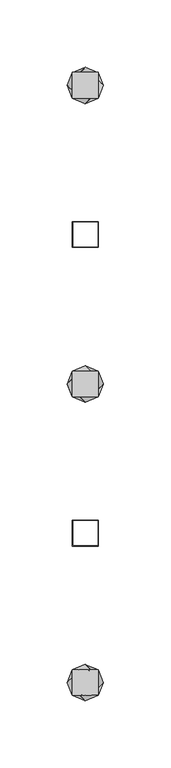
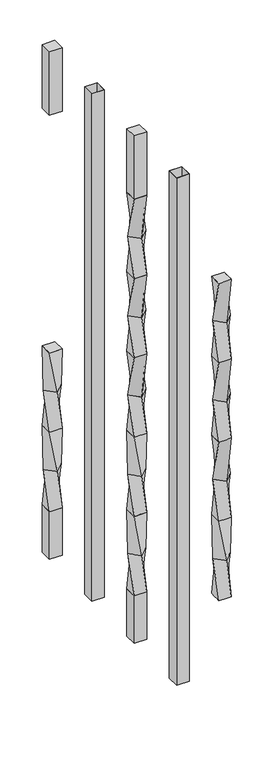
"""IFC4 building model written with IfcOpenShell, lengths in millimetres: railing geometry."""

from ifc_helpers import new_model, si_unit, frame, origin, place, context, project, spatial, polyline, outline, extrude, source, transform, mapped, element, save
from ifc_brep_helpers import plane_surface, spline_surface, advanced_brep


def railing_add324a8(model_context):
    return source(origin(), model_context, "Body", "SolidModel", [
        advanced_brep(
        [(37142.2176098, 32810.5355744, 431.7958781), (37161.2676098, 32810.5355744, 431.7958781), (37161.2676098, 32829.5855744, 431.7958781), (37142.2176098, 32829.5855744, 431.7958781), (37151.7426098, 32806.5901902, 368.2958781), (37138.2722256, 32820.0605744, 368.2958781), (37151.7426098, 32833.5309585, 368.2958781), (37165.212994, 32820.0605744, 368.2958781)],
        [
            (0, 1),
            (1, 2),
            (2, 3),
            (3, 0),
            (4, 5),
            (5, 6),
            (6, 7),
            (7, 4),
            (7, 1),
            (0, 4),
            (6, 2),
            (5, 3),
        ],
        [
            plane_surface(frame((37151.7426098, 32820.0605744, 431.7958781), z_axis=(0.0, 0.0, 1.0), x_axis=(1.0, 0.0, 0.0))),
            plane_surface(frame((37151.7426098, 32820.0605744, 368.2958781), z_axis=(0.0, 0.0, -1.0), x_axis=(1.0, 0.0, 0.0))),
            spline_surface(1, 1, [[(37151.7426098, 32806.5901902, 368.2958781), (37142.2176098, 32810.5355744, 431.7958781)], [(37165.212994, 32820.0605744, 368.2958781), (37161.2676098, 32810.5355744, 431.7958781)]], [2, 2], [2, 2], [0.0, 1.0], [0.0, 1.0]),
            spline_surface(1, 1, [[(37165.212994, 32820.0605744, 368.2958781), (37161.2676098, 32810.5355744, 431.7958781)], [(37151.7426098, 32833.5309585, 368.2958781), (37161.2676098, 32829.5855744, 431.7958781)]], [2, 2], [2, 2], [0.0, 1.0], [0.0, 1.0]),
            spline_surface(1, 1, [[(37151.7426098, 32833.5309585, 368.2958781), (37161.2676098, 32829.5855744, 431.7958781)], [(37138.2722256, 32820.0605744, 368.2958781), (37142.2176098, 32829.5855744, 431.7958781)]], [2, 2], [2, 2], [0.0, 1.0], [0.0, 1.0]),
            spline_surface(1, 1, [[(37138.2722256, 32820.0605744, 368.2958781), (37142.2176098, 32829.5855744, 431.7958781)], [(37151.7426098, 32806.5901902, 368.2958781), (37142.2176098, 32810.5355744, 431.7958781)]], [2, 2], [2, 2], [0.0, 1.0], [0.0, 1.0]),
        ],
        [
            (0, [[1, 2, 3, 4]]),
            (1, [[5, 6, 7, 8]]),
            (2, [[-8, 9, -1, 10]]),
            (3, [[-7, 11, -2, -9]]),
            (4, [[-6, 12, -3, -11]]),
            (5, [[-5, -10, -4, -12]]),
        ],
    ),
        advanced_brep(
        [(37138.2722256, 32820.0605744, 368.2958781), (37151.7426098, 32806.5901902, 368.2958781), (37165.212994, 32820.0605744, 368.2958781), (37151.7426098, 32833.5309585, 368.2958781), (37142.2176098, 32810.5355744, 304.7958781), (37142.2176098, 32829.5855744, 304.7958781), (37161.2676098, 32829.5855744, 304.7958781), (37161.2676098, 32810.5355744, 304.7958781)],
        [
            (0, 1),
            (1, 2),
            (2, 3),
            (3, 0),
            (4, 5),
            (5, 6),
            (6, 7),
            (7, 4),
            (7, 1),
            (0, 4),
            (6, 2),
            (5, 3),
        ],
        [
            plane_surface(frame((37151.7426098, 32820.0605744, 368.2958781), z_axis=(0.0, 0.0, 1.0), x_axis=(-0.7071067811865476, -0.7071067811865476, 0.0))),
            plane_surface(frame((37151.7426098, 32820.0605744, 304.7958781), z_axis=(0.0, 0.0, -1.0), x_axis=(-0.7071067811865476, -0.7071067811865476, 0.0))),
            spline_surface(1, 1, [[(37142.2176098, 32810.5355744, 304.7958781), (37138.2722256, 32820.0605744, 368.2958781)], [(37161.2676098, 32810.5355744, 304.7958781), (37151.7426098, 32806.5901902, 368.2958781)]], [2, 2], [2, 2], [0.0, 1.0], [0.0, 1.0]),
            spline_surface(1, 1, [[(37161.2676098, 32810.5355744, 304.7958781), (37151.7426098, 32806.5901902, 368.2958781)], [(37161.2676098, 32829.5855744, 304.7958781), (37165.212994, 32820.0605744, 368.2958781)]], [2, 2], [2, 2], [0.0, 1.0], [0.0, 1.0]),
            spline_surface(1, 1, [[(37161.2676098, 32829.5855744, 304.7958781), (37165.212994, 32820.0605744, 368.2958781)], [(37142.2176098, 32829.5855744, 304.7958781), (37151.7426098, 32833.5309585, 368.2958781)]], [2, 2], [2, 2], [0.0, 1.0], [0.0, 1.0]),
            spline_surface(1, 1, [[(37142.2176098, 32829.5855744, 304.7958781), (37151.7426098, 32833.5309585, 368.2958781)], [(37142.2176098, 32810.5355744, 304.7958781), (37138.2722256, 32820.0605744, 368.2958781)]], [2, 2], [2, 2], [0.0, 1.0], [0.0, 1.0]),
        ],
        [
            (0, [[1, 2, 3, 4]]),
            (1, [[5, 6, 7, 8]]),
            (2, [[-8, 9, -1, 10]]),
            (3, [[-7, 11, -2, -9]]),
            (4, [[-6, 12, -3, -11]]),
            (5, [[-5, -10, -4, -12]]),
        ],
    ),
        advanced_brep(
        [(37142.2176098, 32810.5355744, 304.7958781), (37161.2676098, 32810.5355744, 304.7958781), (37161.2676098, 32829.5855744, 304.7958781), (37142.2176098, 32829.5855744, 304.7958781), (37151.7426098, 32806.5901902, 241.2958781), (37138.2722256, 32820.0605744, 241.2958781), (37151.7426098, 32833.5309585, 241.2958781), (37165.212994, 32820.0605744, 241.2958781)],
        [
            (0, 1),
            (1, 2),
            (2, 3),
            (3, 0),
            (4, 5),
            (5, 6),
            (6, 7),
            (7, 4),
            (7, 1),
            (0, 4),
            (6, 2),
            (5, 3),
        ],
        [
            plane_surface(frame((37151.7426098, 32820.0605744, 304.7958781), z_axis=(0.0, 0.0, 1.0), x_axis=(1.0, 0.0, 0.0))),
            plane_surface(frame((37151.7426098, 32820.0605744, 241.2958781), z_axis=(0.0, 0.0, -1.0), x_axis=(1.0, 0.0, 0.0))),
            spline_surface(1, 1, [[(37151.7426098, 32806.5901902, 241.2958781), (37142.2176098, 32810.5355744, 304.7958781)], [(37165.212994, 32820.0605744, 241.2958781), (37161.2676098, 32810.5355744, 304.7958781)]], [2, 2], [2, 2], [0.0, 1.0], [0.0, 1.0]),
            spline_surface(1, 1, [[(37165.212994, 32820.0605744, 241.2958781), (37161.2676098, 32810.5355744, 304.7958781)], [(37151.7426098, 32833.5309585, 241.2958781), (37161.2676098, 32829.5855744, 304.7958781)]], [2, 2], [2, 2], [0.0, 1.0], [0.0, 1.0]),
            spline_surface(1, 1, [[(37151.7426098, 32833.5309585, 241.2958781), (37161.2676098, 32829.5855744, 304.7958781)], [(37138.2722256, 32820.0605744, 241.2958781), (37142.2176098, 32829.5855744, 304.7958781)]], [2, 2], [2, 2], [0.0, 1.0], [0.0, 1.0]),
            spline_surface(1, 1, [[(37138.2722256, 32820.0605744, 241.2958781), (37142.2176098, 32829.5855744, 304.7958781)], [(37151.7426098, 32806.5901902, 241.2958781), (37142.2176098, 32810.5355744, 304.7958781)]], [2, 2], [2, 2], [0.0, 1.0], [0.0, 1.0]),
        ],
        [
            (0, [[1, 2, 3, 4]]),
            (1, [[5, 6, 7, 8]]),
            (2, [[-8, 9, -1, 10]]),
            (3, [[-7, 11, -2, -9]]),
            (4, [[-6, 12, -3, -11]]),
            (5, [[-5, -10, -4, -12]]),
        ],
    ),
        advanced_brep(
        [(37138.2722256, 32820.0605744, 241.2958781), (37151.7426098, 32806.5901902, 241.2958781), (37165.212994, 32820.0605744, 241.2958781), (37151.7426098, 32833.5309585, 241.2958781), (37142.2176098, 32810.5355744, 177.7958781), (37142.2176098, 32829.5855744, 177.7958781), (37161.2676098, 32829.5855744, 177.7958781), (37161.2676098, 32810.5355744, 177.7958781)],
        [
            (0, 1),
            (1, 2),
            (2, 3),
            (3, 0),
            (4, 5),
            (5, 6),
            (6, 7),
            (7, 4),
            (7, 1),
            (0, 4),
            (6, 2),
            (5, 3),
        ],
        [
            plane_surface(frame((37151.7426098, 32820.0605744, 241.2958781), z_axis=(0.0, 0.0, 1.0), x_axis=(0.7071067811865472, -0.7071067811865479, 0.0))),
            plane_surface(frame((37151.7426098, 32820.0605744, 177.7958781), z_axis=(0.0, 0.0, -1.0), x_axis=(0.7071067811865472, -0.7071067811865479, 0.0))),
            spline_surface(1, 1, [[(37142.2176098, 32810.5355744, 177.7958781), (37138.2722256, 32820.0605744, 241.2958781)], [(37161.2676098, 32810.5355744, 177.7958781), (37151.7426098, 32806.5901902, 241.2958781)]], [2, 2], [2, 2], [0.0, 1.0], [0.0, 1.0]),
            spline_surface(1, 1, [[(37161.2676098, 32810.5355744, 177.7958781), (37151.7426098, 32806.5901902, 241.2958781)], [(37161.2676098, 32829.5855744, 177.7958781), (37165.212994, 32820.0605744, 241.2958781)]], [2, 2], [2, 2], [0.0, 1.0], [0.0, 1.0]),
            spline_surface(1, 1, [[(37161.2676098, 32829.5855744, 177.7958781), (37165.212994, 32820.0605744, 241.2958781)], [(37142.2176098, 32829.5855744, 177.7958781), (37151.7426098, 32833.5309585, 241.2958781)]], [2, 2], [2, 2], [0.0, 1.0], [0.0, 1.0]),
            spline_surface(1, 1, [[(37142.2176098, 32829.5855744, 177.7958781), (37151.7426098, 32833.5309585, 241.2958781)], [(37142.2176098, 32810.5355744, 177.7958781), (37138.2722256, 32820.0605744, 241.2958781)]], [2, 2], [2, 2], [0.0, 1.0], [0.0, 1.0]),
        ],
        [
            (0, [[1, 2, 3, 4]]),
            (1, [[5, 6, 7, 8]]),
            (2, [[-8, 9, -1, 10]]),
            (3, [[-7, 11, -2, -9]]),
            (4, [[-6, 12, -3, -11]]),
            (5, [[-5, -10, -4, -12]]),
        ],
    ),
        extrude(outline(polyline([(37142.2176098, 32810.5355744), (37142.2176098, 32829.5855744), (37161.2676098, 32829.5855744), (37161.2676098, 32810.5355744), (37142.2176098, 32810.5355744)])), frame((0.0, 0.0, 812.7958781), z_axis=(0.0, 0.0, 1.0), x_axis=(1.0, 0.0, 0.0)), (0.0, 0.0, 1.0), 101.6041219),
        extrude(outline(polyline([(37142.2176098, 32810.5355744), (37142.2176098, 32829.5855744), (37161.2676098, 32829.5855744), (37161.2676098, 32810.5355744), (37142.2176098, 32810.5355744)])), frame((0.0, 0.0, 101.5958781), z_axis=(0.0, 0.0, 1.0), x_axis=(1.0, 0.0, 0.0)), (0.0, 0.0, 1.0), 76.2),
        extrude(outline(polyline([(37142.2176098, 32699.4105744), (37142.2176098, 32718.4605744), (37161.2676098, 32718.4605744), (37161.2676098, 32699.4105744), (37142.2176098, 32699.4105744)]), holes=[polyline([(37142.6144848, 32699.8074494), (37160.8707348, 32699.8074494), (37160.8707348, 32718.0636994), (37142.6144848, 32718.0636994), (37142.6144848, 32699.8074494)])]), frame((0.0, 0.0, 101.5958781), z_axis=(0.0, 0.0, 1.0), x_axis=(1.0, 0.0, 0.0)), (0.0, 0.0, 1.0), 812.8041219),
        advanced_brep(
        [(37142.2176098, 32607.3355744, 812.7958781), (37142.2176098, 32588.2855744, 812.7958781), (37161.2676098, 32588.2855744, 812.7958781), (37161.2676098, 32607.3355744, 812.7958781), (37151.7426098, 32611.2809585, 749.2958781), (37165.212994, 32597.8105744, 749.2958781), (37151.7426098, 32584.3401902, 749.2958781), (37138.2722256, 32597.8105744, 749.2958781)],
        [
            (0, 1),
            (1, 2),
            (2, 3),
            (3, 0),
            (4, 5),
            (5, 6),
            (6, 7),
            (7, 4),
            (7, 1),
            (0, 4),
            (6, 2),
            (5, 3),
        ],
        [
            plane_surface(frame((37151.7426098, 32597.8105744, 812.7958781), z_axis=(0.0, 0.0, 1.0), x_axis=(1.0, 0.0, 0.0))),
            plane_surface(frame((37151.7426098, 32597.8105744, 749.2958781), z_axis=(0.0, 0.0, -1.0), x_axis=(1.0, 0.0, 0.0))),
            spline_surface(1, 1, [[(37151.7426098, 32611.2809585, 749.2958781), (37142.2176098, 32607.3355744, 812.7958781)], [(37138.2722256, 32597.8105744, 749.2958781), (37142.2176098, 32588.2855744, 812.7958781)]], [2, 2], [2, 2], [0.0, 1.0], [0.0, 1.0]),
            spline_surface(1, 1, [[(37138.2722256, 32597.8105744, 749.2958781), (37142.2176098, 32588.2855744, 812.7958781)], [(37151.7426098, 32584.3401902, 749.2958781), (37161.2676098, 32588.2855744, 812.7958781)]], [2, 2], [2, 2], [0.0, 1.0], [0.0, 1.0]),
            spline_surface(1, 1, [[(37151.7426098, 32584.3401902, 749.2958781), (37161.2676098, 32588.2855744, 812.7958781)], [(37165.212994, 32597.8105744, 749.2958781), (37161.2676098, 32607.3355744, 812.7958781)]], [2, 2], [2, 2], [0.0, 1.0], [0.0, 1.0]),
            spline_surface(1, 1, [[(37165.212994, 32597.8105744, 749.2958781), (37161.2676098, 32607.3355744, 812.7958781)], [(37151.7426098, 32611.2809585, 749.2958781), (37142.2176098, 32607.3355744, 812.7958781)]], [2, 2], [2, 2], [0.0, 1.0], [0.0, 1.0]),
        ],
        [
            (0, [[1, 2, 3, 4]]),
            (1, [[5, 6, 7, 8]]),
            (2, [[-8, 9, -1, 10]]),
            (3, [[-7, 11, -2, -9]]),
            (4, [[-6, 12, -3, -11]]),
            (5, [[-5, -10, -4, -12]]),
        ],
    ),
        advanced_brep(
        [(37138.2722256, 32597.8105744, 749.2958781), (37151.7426098, 32584.3401902, 749.2958781), (37165.212994, 32597.8105744, 749.2958781), (37151.7426098, 32611.2809585, 749.2958781), (37142.2176098, 32588.2855744, 685.7958781), (37142.2176098, 32607.3355744, 685.7958781), (37161.2676098, 32607.3355744, 685.7958781), (37161.2676098, 32588.2855744, 685.7958781)],
        [
            (0, 1),
            (1, 2),
            (2, 3),
            (3, 0),
            (4, 5),
            (5, 6),
            (6, 7),
            (7, 4),
            (7, 1),
            (0, 4),
            (6, 2),
            (5, 3),
        ],
        [
            plane_surface(frame((37151.7426098, 32597.8105744, 749.2958781), z_axis=(0.0, 0.0, 1.0), x_axis=(-0.7071067811865475, -0.7071067811865476, 0.0))),
            plane_surface(frame((37151.7426098, 32597.8105744, 685.7958781), z_axis=(0.0, 0.0, -1.0), x_axis=(-0.7071067811865475, -0.7071067811865476, 0.0))),
            spline_surface(1, 1, [[(37142.2176098, 32588.2855744, 685.7958781), (37138.2722256, 32597.8105744, 749.2958781)], [(37161.2676098, 32588.2855744, 685.7958781), (37151.7426098, 32584.3401902, 749.2958781)]], [2, 2], [2, 2], [0.0, 1.0], [0.0, 1.0]),
            spline_surface(1, 1, [[(37161.2676098, 32588.2855744, 685.7958781), (37151.7426098, 32584.3401902, 749.2958781)], [(37161.2676098, 32607.3355744, 685.7958781), (37165.212994, 32597.8105744, 749.2958781)]], [2, 2], [2, 2], [0.0, 1.0], [0.0, 1.0]),
            spline_surface(1, 1, [[(37161.2676098, 32607.3355744, 685.7958781), (37165.212994, 32597.8105744, 749.2958781)], [(37142.2176098, 32607.3355744, 685.7958781), (37151.7426098, 32611.2809585, 749.2958781)]], [2, 2], [2, 2], [0.0, 1.0], [0.0, 1.0]),
            spline_surface(1, 1, [[(37142.2176098, 32607.3355744, 685.7958781), (37151.7426098, 32611.2809585, 749.2958781)], [(37142.2176098, 32588.2855744, 685.7958781), (37138.2722256, 32597.8105744, 749.2958781)]], [2, 2], [2, 2], [0.0, 1.0], [0.0, 1.0]),
        ],
        [
            (0, [[1, 2, 3, 4]]),
            (1, [[5, 6, 7, 8]]),
            (2, [[-8, 9, -1, 10]]),
            (3, [[-7, 11, -2, -9]]),
            (4, [[-6, 12, -3, -11]]),
            (5, [[-5, -10, -4, -12]]),
        ],
    ),
        advanced_brep(
        [(37142.2176098, 32607.3355744, 685.7958781), (37142.2176098, 32588.2855744, 685.7958781), (37161.2676098, 32588.2855744, 685.7958781), (37161.2676098, 32607.3355744, 685.7958781), (37151.7426098, 32611.2809585, 622.2958781), (37165.212994, 32597.8105744, 622.2958781), (37151.7426098, 32584.3401902, 622.2958781), (37138.2722256, 32597.8105744, 622.2958781)],
        [
            (0, 1),
            (1, 2),
            (2, 3),
            (3, 0),
            (4, 5),
            (5, 6),
            (6, 7),
            (7, 4),
            (7, 1),
            (0, 4),
            (6, 2),
            (5, 3),
        ],
        [
            plane_surface(frame((37151.7426098, 32597.8105744, 685.7958781), z_axis=(0.0, 0.0, 1.0), x_axis=(1.0, 0.0, 0.0))),
            plane_surface(frame((37151.7426098, 32597.8105744, 622.2958781), z_axis=(0.0, 0.0, -1.0), x_axis=(1.0, 0.0, 0.0))),
            spline_surface(1, 1, [[(37151.7426098, 32611.2809585, 622.2958781), (37142.2176098, 32607.3355744, 685.7958781)], [(37138.2722256, 32597.8105744, 622.2958781), (37142.2176098, 32588.2855744, 685.7958781)]], [2, 2], [2, 2], [0.0, 1.0], [0.0, 1.0]),
            spline_surface(1, 1, [[(37138.2722256, 32597.8105744, 622.2958781), (37142.2176098, 32588.2855744, 685.7958781)], [(37151.7426098, 32584.3401902, 622.2958781), (37161.2676098, 32588.2855744, 685.7958781)]], [2, 2], [2, 2], [0.0, 1.0], [0.0, 1.0]),
            spline_surface(1, 1, [[(37151.7426098, 32584.3401902, 622.2958781), (37161.2676098, 32588.2855744, 685.7958781)], [(37165.212994, 32597.8105744, 622.2958781), (37161.2676098, 32607.3355744, 685.7958781)]], [2, 2], [2, 2], [0.0, 1.0], [0.0, 1.0]),
            spline_surface(1, 1, [[(37165.212994, 32597.8105744, 622.2958781), (37161.2676098, 32607.3355744, 685.7958781)], [(37151.7426098, 32611.2809585, 622.2958781), (37142.2176098, 32607.3355744, 685.7958781)]], [2, 2], [2, 2], [0.0, 1.0], [0.0, 1.0]),
        ],
        [
            (0, [[1, 2, 3, 4]]),
            (1, [[5, 6, 7, 8]]),
            (2, [[-8, 9, -1, 10]]),
            (3, [[-7, 11, -2, -9]]),
            (4, [[-6, 12, -3, -11]]),
            (5, [[-5, -10, -4, -12]]),
        ],
    ),
        advanced_brep(
        [(37138.2722256, 32597.8105744, 622.2958781), (37151.7426098, 32584.3401902, 622.2958781), (37165.212994, 32597.8105744, 622.2958781), (37151.7426098, 32611.2809585, 622.2958781), (37142.2176098, 32588.2855744, 558.7958781), (37142.2176098, 32607.3355744, 558.7958781), (37161.2676098, 32607.3355744, 558.7958781), (37161.2676098, 32588.2855744, 558.7958781)],
        [
            (0, 1),
            (1, 2),
            (2, 3),
            (3, 0),
            (4, 5),
            (5, 6),
            (6, 7),
            (7, 4),
            (7, 1),
            (0, 4),
            (6, 2),
            (5, 3),
        ],
        [
            plane_surface(frame((37151.7426098, 32597.8105744, 622.2958781), z_axis=(0.0, 0.0, 1.0), x_axis=(-0.7071067811865476, -0.7071067811865476, 0.0))),
            plane_surface(frame((37151.7426098, 32597.8105744, 558.7958781), z_axis=(0.0, 0.0, -1.0), x_axis=(-0.7071067811865476, -0.7071067811865476, 0.0))),
            spline_surface(1, 1, [[(37142.2176098, 32588.2855744, 558.7958781), (37138.2722256, 32597.8105744, 622.2958781)], [(37161.2676098, 32588.2855744, 558.7958781), (37151.7426098, 32584.3401902, 622.2958781)]], [2, 2], [2, 2], [0.0, 1.0], [0.0, 1.0]),
            spline_surface(1, 1, [[(37161.2676098, 32588.2855744, 558.7958781), (37151.7426098, 32584.3401902, 622.2958781)], [(37161.2676098, 32607.3355744, 558.7958781), (37165.212994, 32597.8105744, 622.2958781)]], [2, 2], [2, 2], [0.0, 1.0], [0.0, 1.0]),
            spline_surface(1, 1, [[(37161.2676098, 32607.3355744, 558.7958781), (37165.212994, 32597.8105744, 622.2958781)], [(37142.2176098, 32607.3355744, 558.7958781), (37151.7426098, 32611.2809585, 622.2958781)]], [2, 2], [2, 2], [0.0, 1.0], [0.0, 1.0]),
            spline_surface(1, 1, [[(37142.2176098, 32607.3355744, 558.7958781), (37151.7426098, 32611.2809585, 622.2958781)], [(37142.2176098, 32588.2855744, 558.7958781), (37138.2722256, 32597.8105744, 622.2958781)]], [2, 2], [2, 2], [0.0, 1.0], [0.0, 1.0]),
        ],
        [
            (0, [[1, 2, 3, 4]]),
            (1, [[5, 6, 7, 8]]),
            (2, [[-8, 9, -1, 10]]),
            (3, [[-7, 11, -2, -9]]),
            (4, [[-6, 12, -3, -11]]),
            (5, [[-5, -10, -4, -12]]),
        ],
    ),
        advanced_brep(
        [(37142.2176098, 32607.3355744, 558.7958781), (37142.2176098, 32588.2855744, 558.7958781), (37161.2676098, 32588.2855744, 558.7958781), (37161.2676098, 32607.3355744, 558.7958781), (37151.7426098, 32611.2809585, 495.2958781), (37165.212994, 32597.8105744, 495.2958781), (37151.7426098, 32584.3401902, 495.2958781), (37138.2722256, 32597.8105744, 495.2958781)],
        [
            (0, 1),
            (1, 2),
            (2, 3),
            (3, 0),
            (4, 5),
            (5, 6),
            (6, 7),
            (7, 4),
            (7, 1),
            (0, 4),
            (6, 2),
            (5, 3),
        ],
        [
            plane_surface(frame((37151.7426098, 32597.8105744, 558.7958781), z_axis=(0.0, 0.0, 1.0), x_axis=(1.0, 0.0, 0.0))),
            plane_surface(frame((37151.7426098, 32597.8105744, 495.2958781), z_axis=(0.0, 0.0, -1.0), x_axis=(1.0, 0.0, 0.0))),
            spline_surface(1, 1, [[(37151.7426098, 32611.2809585, 495.2958781), (37142.2176098, 32607.3355744, 558.7958781)], [(37138.2722256, 32597.8105744, 495.2958781), (37142.2176098, 32588.2855744, 558.7958781)]], [2, 2], [2, 2], [0.0, 1.0], [0.0, 1.0]),
            spline_surface(1, 1, [[(37138.2722256, 32597.8105744, 495.2958781), (37142.2176098, 32588.2855744, 558.7958781)], [(37151.7426098, 32584.3401902, 495.2958781), (37161.2676098, 32588.2855744, 558.7958781)]], [2, 2], [2, 2], [0.0, 1.0], [0.0, 1.0]),
            spline_surface(1, 1, [[(37151.7426098, 32584.3401902, 495.2958781), (37161.2676098, 32588.2855744, 558.7958781)], [(37165.212994, 32597.8105744, 495.2958781), (37161.2676098, 32607.3355744, 558.7958781)]], [2, 2], [2, 2], [0.0, 1.0], [0.0, 1.0]),
            spline_surface(1, 1, [[(37165.212994, 32597.8105744, 495.2958781), (37161.2676098, 32607.3355744, 558.7958781)], [(37151.7426098, 32611.2809585, 495.2958781), (37142.2176098, 32607.3355744, 558.7958781)]], [2, 2], [2, 2], [0.0, 1.0], [0.0, 1.0]),
        ],
        [
            (0, [[1, 2, 3, 4]]),
            (1, [[5, 6, 7, 8]]),
            (2, [[-8, 9, -1, 10]]),
            (3, [[-7, 11, -2, -9]]),
            (4, [[-6, 12, -3, -11]]),
            (5, [[-5, -10, -4, -12]]),
        ],
    ),
        advanced_brep(
        [(37138.2722256, 32597.8105744, 495.2958781), (37151.7426098, 32584.3401902, 495.2958781), (37165.212994, 32597.8105744, 495.2958781), (37151.7426098, 32611.2809585, 495.2958781), (37142.2176098, 32588.2855744, 431.7958781), (37142.2176098, 32607.3355744, 431.7958781), (37161.2676098, 32607.3355744, 431.7958781), (37161.2676098, 32588.2855744, 431.7958781)],
        [
            (0, 1),
            (1, 2),
            (2, 3),
            (3, 0),
            (4, 5),
            (5, 6),
            (6, 7),
            (7, 4),
            (7, 1),
            (0, 4),
            (6, 2),
            (5, 3),
        ],
        [
            plane_surface(frame((37151.7426098, 32597.8105744, 495.2958781), z_axis=(0.0, 0.0, 1.0), x_axis=(-0.7071067811865475, -0.7071067811865476, 0.0))),
            plane_surface(frame((37151.7426098, 32597.8105744, 431.7958781), z_axis=(0.0, 0.0, -1.0), x_axis=(-0.7071067811865475, -0.7071067811865476, 0.0))),
            spline_surface(1, 1, [[(37142.2176098, 32588.2855744, 431.7958781), (37138.2722256, 32597.8105744, 495.2958781)], [(37161.2676098, 32588.2855744, 431.7958781), (37151.7426098, 32584.3401902, 495.2958781)]], [2, 2], [2, 2], [0.0, 1.0], [0.0, 1.0]),
            spline_surface(1, 1, [[(37161.2676098, 32588.2855744, 431.7958781), (37151.7426098, 32584.3401902, 495.2958781)], [(37161.2676098, 32607.3355744, 431.7958781), (37165.212994, 32597.8105744, 495.2958781)]], [2, 2], [2, 2], [0.0, 1.0], [0.0, 1.0]),
            spline_surface(1, 1, [[(37161.2676098, 32607.3355744, 431.7958781), (37165.212994, 32597.8105744, 495.2958781)], [(37142.2176098, 32607.3355744, 431.7958781), (37151.7426098, 32611.2809585, 495.2958781)]], [2, 2], [2, 2], [0.0, 1.0], [0.0, 1.0]),
            spline_surface(1, 1, [[(37142.2176098, 32607.3355744, 431.7958781), (37151.7426098, 32611.2809585, 495.2958781)], [(37142.2176098, 32588.2855744, 431.7958781), (37138.2722256, 32597.8105744, 495.2958781)]], [2, 2], [2, 2], [0.0, 1.0], [0.0, 1.0]),
        ],
        [
            (0, [[1, 2, 3, 4]]),
            (1, [[5, 6, 7, 8]]),
            (2, [[-8, 9, -1, 10]]),
            (3, [[-7, 11, -2, -9]]),
            (4, [[-6, 12, -3, -11]]),
            (5, [[-5, -10, -4, -12]]),
        ],
    ),
        advanced_brep(
        [(37142.2176098, 32588.2855744, 431.7958781), (37161.2676098, 32588.2855744, 431.7958781), (37161.2676098, 32607.3355744, 431.7958781), (37142.2176098, 32607.3355744, 431.7958781), (37151.7426098, 32584.3401902, 368.2958781), (37138.2722256, 32597.8105744, 368.2958781), (37151.7426098, 32611.2809585, 368.2958781), (37165.212994, 32597.8105744, 368.2958781)],
        [
            (0, 1),
            (1, 2),
            (2, 3),
            (3, 0),
            (4, 5),
            (5, 6),
            (6, 7),
            (7, 4),
            (7, 1),
            (0, 4),
            (6, 2),
            (5, 3),
        ],
        [
            plane_surface(frame((37151.7426098, 32597.8105744, 431.7958781), z_axis=(0.0, 0.0, 1.0), x_axis=(1.0, 0.0, 0.0))),
            plane_surface(frame((37151.7426098, 32597.8105744, 368.2958781), z_axis=(0.0, 0.0, -1.0), x_axis=(1.0, 0.0, 0.0))),
            spline_surface(1, 1, [[(37151.7426098, 32584.3401902, 368.2958781), (37142.2176098, 32588.2855744, 431.7958781)], [(37165.212994, 32597.8105744, 368.2958781), (37161.2676098, 32588.2855744, 431.7958781)]], [2, 2], [2, 2], [0.0, 1.0], [0.0, 1.0]),
            spline_surface(1, 1, [[(37165.212994, 32597.8105744, 368.2958781), (37161.2676098, 32588.2855744, 431.7958781)], [(37151.7426098, 32611.2809585, 368.2958781), (37161.2676098, 32607.3355744, 431.7958781)]], [2, 2], [2, 2], [0.0, 1.0], [0.0, 1.0]),
            spline_surface(1, 1, [[(37151.7426098, 32611.2809585, 368.2958781), (37161.2676098, 32607.3355744, 431.7958781)], [(37138.2722256, 32597.8105744, 368.2958781), (37142.2176098, 32607.3355744, 431.7958781)]], [2, 2], [2, 2], [0.0, 1.0], [0.0, 1.0]),
            spline_surface(1, 1, [[(37138.2722256, 32597.8105744, 368.2958781), (37142.2176098, 32607.3355744, 431.7958781)], [(37151.7426098, 32584.3401902, 368.2958781), (37142.2176098, 32588.2855744, 431.7958781)]], [2, 2], [2, 2], [0.0, 1.0], [0.0, 1.0]),
        ],
        [
            (0, [[1, 2, 3, 4]]),
            (1, [[5, 6, 7, 8]]),
            (2, [[-8, 9, -1, 10]]),
            (3, [[-7, 11, -2, -9]]),
            (4, [[-6, 12, -3, -11]]),
            (5, [[-5, -10, -4, -12]]),
        ],
    ),
        advanced_brep(
        [(37138.2722256, 32597.8105744, 368.2958781), (37151.7426098, 32584.3401902, 368.2958781), (37165.212994, 32597.8105744, 368.2958781), (37151.7426098, 32611.2809585, 368.2958781), (37142.2176098, 32588.2855744, 304.7958781), (37142.2176098, 32607.3355744, 304.7958781), (37161.2676098, 32607.3355744, 304.7958781), (37161.2676098, 32588.2855744, 304.7958781)],
        [
            (0, 1),
            (1, 2),
            (2, 3),
            (3, 0),
            (4, 5),
            (5, 6),
            (6, 7),
            (7, 4),
            (7, 1),
            (0, 4),
            (6, 2),
            (5, 3),
        ],
        [
            plane_surface(frame((37151.7426098, 32597.8105744, 368.2958781), z_axis=(0.0, 0.0, 1.0), x_axis=(-0.7071067811865476, -0.7071067811865476, 0.0))),
            plane_surface(frame((37151.7426098, 32597.8105744, 304.7958781), z_axis=(0.0, 0.0, -1.0), x_axis=(-0.7071067811865476, -0.7071067811865476, 0.0))),
            spline_surface(1, 1, [[(37142.2176098, 32588.2855744, 304.7958781), (37138.2722256, 32597.8105744, 368.2958781)], [(37161.2676098, 32588.2855744, 304.7958781), (37151.7426098, 32584.3401902, 368.2958781)]], [2, 2], [2, 2], [0.0, 1.0], [0.0, 1.0]),
            spline_surface(1, 1, [[(37161.2676098, 32588.2855744, 304.7958781), (37151.7426098, 32584.3401902, 368.2958781)], [(37161.2676098, 32607.3355744, 304.7958781), (37165.212994, 32597.8105744, 368.2958781)]], [2, 2], [2, 2], [0.0, 1.0], [0.0, 1.0]),
            spline_surface(1, 1, [[(37161.2676098, 32607.3355744, 304.7958781), (37165.212994, 32597.8105744, 368.2958781)], [(37142.2176098, 32607.3355744, 304.7958781), (37151.7426098, 32611.2809585, 368.2958781)]], [2, 2], [2, 2], [0.0, 1.0], [0.0, 1.0]),
            spline_surface(1, 1, [[(37142.2176098, 32607.3355744, 304.7958781), (37151.7426098, 32611.2809585, 368.2958781)], [(37142.2176098, 32588.2855744, 304.7958781), (37138.2722256, 32597.8105744, 368.2958781)]], [2, 2], [2, 2], [0.0, 1.0], [0.0, 1.0]),
        ],
        [
            (0, [[1, 2, 3, 4]]),
            (1, [[5, 6, 7, 8]]),
            (2, [[-8, 9, -1, 10]]),
            (3, [[-7, 11, -2, -9]]),
            (4, [[-6, 12, -3, -11]]),
            (5, [[-5, -10, -4, -12]]),
        ],
    ),
        advanced_brep(
        [(37142.2176098, 32588.2855744, 304.7958781), (37161.2676098, 32588.2855744, 304.7958781), (37161.2676098, 32607.3355744, 304.7958781), (37142.2176098, 32607.3355744, 304.7958781), (37151.7426098, 32584.3401902, 241.2958781), (37138.2722256, 32597.8105744, 241.2958781), (37151.7426098, 32611.2809585, 241.2958781), (37165.212994, 32597.8105744, 241.2958781)],
        [
            (0, 1),
            (1, 2),
            (2, 3),
            (3, 0),
            (4, 5),
            (5, 6),
            (6, 7),
            (7, 4),
            (7, 1),
            (0, 4),
            (6, 2),
            (5, 3),
        ],
        [
            plane_surface(frame((37151.7426098, 32597.8105744, 304.7958781), z_axis=(0.0, 0.0, 1.0), x_axis=(1.0, 0.0, 0.0))),
            plane_surface(frame((37151.7426098, 32597.8105744, 241.2958781), z_axis=(0.0, 0.0, -1.0), x_axis=(1.0, 0.0, 0.0))),
            spline_surface(1, 1, [[(37151.7426098, 32584.3401902, 241.2958781), (37142.2176098, 32588.2855744, 304.7958781)], [(37165.212994, 32597.8105744, 241.2958781), (37161.2676098, 32588.2855744, 304.7958781)]], [2, 2], [2, 2], [0.0, 1.0], [0.0, 1.0]),
            spline_surface(1, 1, [[(37165.212994, 32597.8105744, 241.2958781), (37161.2676098, 32588.2855744, 304.7958781)], [(37151.7426098, 32611.2809585, 241.2958781), (37161.2676098, 32607.3355744, 304.7958781)]], [2, 2], [2, 2], [0.0, 1.0], [0.0, 1.0]),
            spline_surface(1, 1, [[(37151.7426098, 32611.2809585, 241.2958781), (37161.2676098, 32607.3355744, 304.7958781)], [(37138.2722256, 32597.8105744, 241.2958781), (37142.2176098, 32607.3355744, 304.7958781)]], [2, 2], [2, 2], [0.0, 1.0], [0.0, 1.0]),
            spline_surface(1, 1, [[(37138.2722256, 32597.8105744, 241.2958781), (37142.2176098, 32607.3355744, 304.7958781)], [(37151.7426098, 32584.3401902, 241.2958781), (37142.2176098, 32588.2855744, 304.7958781)]], [2, 2], [2, 2], [0.0, 1.0], [0.0, 1.0]),
        ],
        [
            (0, [[1, 2, 3, 4]]),
            (1, [[5, 6, 7, 8]]),
            (2, [[-8, 9, -1, 10]]),
            (3, [[-7, 11, -2, -9]]),
            (4, [[-6, 12, -3, -11]]),
            (5, [[-5, -10, -4, -12]]),
        ],
    ),
        advanced_brep(
        [(37138.2722256, 32597.8105744, 241.2958781), (37151.7426098, 32584.3401902, 241.2958781), (37165.212994, 32597.8105744, 241.2958781), (37151.7426098, 32611.2809585, 241.2958781), (37142.2176098, 32588.2855744, 177.7958781), (37142.2176098, 32607.3355744, 177.7958781), (37161.2676098, 32607.3355744, 177.7958781), (37161.2676098, 32588.2855744, 177.7958781)],
        [
            (0, 1),
            (1, 2),
            (2, 3),
            (3, 0),
            (4, 5),
            (5, 6),
            (6, 7),
            (7, 4),
            (7, 1),
            (0, 4),
            (6, 2),
            (5, 3),
        ],
        [
            plane_surface(frame((37151.7426098, 32597.8105744, 241.2958781), z_axis=(0.0, 0.0, 1.0), x_axis=(0.7071067811865472, -0.7071067811865479, 0.0))),
            plane_surface(frame((37151.7426098, 32597.8105744, 177.7958781), z_axis=(0.0, 0.0, -1.0), x_axis=(0.7071067811865472, -0.7071067811865479, 0.0))),
            spline_surface(1, 1, [[(37142.2176098, 32588.2855744, 177.7958781), (37138.2722256, 32597.8105744, 241.2958781)], [(37161.2676098, 32588.2855744, 177.7958781), (37151.7426098, 32584.3401902, 241.2958781)]], [2, 2], [2, 2], [0.0, 1.0], [0.0, 1.0]),
            spline_surface(1, 1, [[(37161.2676098, 32588.2855744, 177.7958781), (37151.7426098, 32584.3401902, 241.2958781)], [(37161.2676098, 32607.3355744, 177.7958781), (37165.212994, 32597.8105744, 241.2958781)]], [2, 2], [2, 2], [0.0, 1.0], [0.0, 1.0]),
            spline_surface(1, 1, [[(37161.2676098, 32607.3355744, 177.7958781), (37165.212994, 32597.8105744, 241.2958781)], [(37142.2176098, 32607.3355744, 177.7958781), (37151.7426098, 32611.2809585, 241.2958781)]], [2, 2], [2, 2], [0.0, 1.0], [0.0, 1.0]),
            spline_surface(1, 1, [[(37142.2176098, 32607.3355744, 177.7958781), (37151.7426098, 32611.2809585, 241.2958781)], [(37142.2176098, 32588.2855744, 177.7958781), (37138.2722256, 32597.8105744, 241.2958781)]], [2, 2], [2, 2], [0.0, 1.0], [0.0, 1.0]),
        ],
        [
            (0, [[1, 2, 3, 4]]),
            (1, [[5, 6, 7, 8]]),
            (2, [[-8, 9, -1, 10]]),
            (3, [[-7, 11, -2, -9]]),
            (4, [[-6, 12, -3, -11]]),
            (5, [[-5, -10, -4, -12]]),
        ],
    ),
        extrude(outline(polyline([(37142.2176098, 32588.2855744), (37142.2176098, 32607.3355744), (37161.2676098, 32607.3355744), (37161.2676098, 32588.2855744), (37142.2176098, 32588.2855744)])), frame((0.0, 0.0, 812.7958781), z_axis=(0.0, 0.0, 1.0), x_axis=(1.0, 0.0, 0.0)), (0.0, 0.0, 1.0), 101.6041219),
        extrude(outline(polyline([(37142.2176098, 32588.2855744), (37142.2176098, 32607.3355744), (37161.2676098, 32607.3355744), (37161.2676098, 32588.2855744), (37142.2176098, 32588.2855744)])), frame((0.0, 0.0, 101.5958781), z_axis=(0.0, 0.0, 1.0), x_axis=(1.0, 0.0, 0.0)), (0.0, 0.0, 1.0), 76.2),
        extrude(outline(polyline([(37142.2176098, 32477.1605744), (37142.2176098, 32496.2105744), (37161.2676098, 32496.2105744), (37161.2676098, 32477.1605744), (37142.2176098, 32477.1605744)]), holes=[polyline([(37142.6144848, 32477.5574494), (37160.8707348, 32477.5574494), (37160.8707348, 32495.8136994), (37142.6144848, 32495.8136994), (37142.6144848, 32477.5574494)])]), frame((0.0, 0.0, 101.5958781), z_axis=(0.0, 0.0, 1.0), x_axis=(1.0, 0.0, 0.0)), (0.0, 0.0, 1.0), 812.8041219),
        advanced_brep(
        [(37142.2176098, 32385.0855744, 812.7958781), (37142.2176098, 32366.0355744, 812.7958781), (37161.2676098, 32366.0355744, 812.7958781), (37161.2676098, 32385.0855744, 812.7958781), (37151.7426098, 32389.0309585, 749.2958781), (37165.212994, 32375.5605744, 749.2958781), (37151.7426098, 32362.0901902, 749.2958781), (37138.2722256, 32375.5605744, 749.2958781)],
        [
            (0, 1),
            (1, 2),
            (2, 3),
            (3, 0),
            (4, 5),
            (5, 6),
            (6, 7),
            (7, 4),
            (7, 1),
            (0, 4),
            (6, 2),
            (5, 3),
        ],
        [
            plane_surface(frame((37151.7426098, 32375.5605744, 812.7958781), z_axis=(0.0, 0.0, 1.0), x_axis=(1.0, 0.0, 0.0))),
            plane_surface(frame((37151.7426098, 32375.5605744, 749.2958781), z_axis=(0.0, 0.0, -1.0), x_axis=(1.0, 0.0, 0.0))),
            spline_surface(1, 1, [[(37151.7426098, 32389.0309585, 749.2958781), (37142.2176098, 32385.0855744, 812.7958781)], [(37138.2722256, 32375.5605744, 749.2958781), (37142.2176098, 32366.0355744, 812.7958781)]], [2, 2], [2, 2], [0.0, 1.0], [0.0, 1.0]),
            spline_surface(1, 1, [[(37138.2722256, 32375.5605744, 749.2958781), (37142.2176098, 32366.0355744, 812.7958781)], [(37151.7426098, 32362.0901902, 749.2958781), (37161.2676098, 32366.0355744, 812.7958781)]], [2, 2], [2, 2], [0.0, 1.0], [0.0, 1.0]),
            spline_surface(1, 1, [[(37151.7426098, 32362.0901902, 749.2958781), (37161.2676098, 32366.0355744, 812.7958781)], [(37165.212994, 32375.5605744, 749.2958781), (37161.2676098, 32385.0855744, 812.7958781)]], [2, 2], [2, 2], [0.0, 1.0], [0.0, 1.0]),
            spline_surface(1, 1, [[(37165.212994, 32375.5605744, 749.2958781), (37161.2676098, 32385.0855744, 812.7958781)], [(37151.7426098, 32389.0309585, 749.2958781), (37142.2176098, 32385.0855744, 812.7958781)]], [2, 2], [2, 2], [0.0, 1.0], [0.0, 1.0]),
        ],
        [
            (0, [[1, 2, 3, 4]]),
            (1, [[5, 6, 7, 8]]),
            (2, [[-8, 9, -1, 10]]),
            (3, [[-7, 11, -2, -9]]),
            (4, [[-6, 12, -3, -11]]),
            (5, [[-5, -10, -4, -12]]),
        ],
    ),
        advanced_brep(
        [(37138.2722256, 32375.5605744, 749.2958781), (37151.7426098, 32362.0901902, 749.2958781), (37165.212994, 32375.5605744, 749.2958781), (37151.7426098, 32389.0309585, 749.2958781), (37142.2176098, 32366.0355744, 685.7958781), (37142.2176098, 32385.0855744, 685.7958781), (37161.2676098, 32385.0855744, 685.7958781), (37161.2676098, 32366.0355744, 685.7958781)],
        [
            (0, 1),
            (1, 2),
            (2, 3),
            (3, 0),
            (4, 5),
            (5, 6),
            (6, 7),
            (7, 4),
            (7, 1),
            (0, 4),
            (6, 2),
            (5, 3),
        ],
        [
            plane_surface(frame((37151.7426098, 32375.5605744, 749.2958781), z_axis=(0.0, 0.0, 1.0), x_axis=(-0.7071067811865475, -0.7071067811865476, 0.0))),
            plane_surface(frame((37151.7426098, 32375.5605744, 685.7958781), z_axis=(0.0, 0.0, -1.0), x_axis=(-0.7071067811865475, -0.7071067811865476, 0.0))),
            spline_surface(1, 1, [[(37142.2176098, 32366.0355744, 685.7958781), (37138.2722256, 32375.5605744, 749.2958781)], [(37161.2676098, 32366.0355744, 685.7958781), (37151.7426098, 32362.0901902, 749.2958781)]], [2, 2], [2, 2], [0.0, 1.0], [0.0, 1.0]),
            spline_surface(1, 1, [[(37161.2676098, 32366.0355744, 685.7958781), (37151.7426098, 32362.0901902, 749.2958781)], [(37161.2676098, 32385.0855744, 685.7958781), (37165.212994, 32375.5605744, 749.2958781)]], [2, 2], [2, 2], [0.0, 1.0], [0.0, 1.0]),
            spline_surface(1, 1, [[(37161.2676098, 32385.0855744, 685.7958781), (37165.212994, 32375.5605744, 749.2958781)], [(37142.2176098, 32385.0855744, 685.7958781), (37151.7426098, 32389.0309585, 749.2958781)]], [2, 2], [2, 2], [0.0, 1.0], [0.0, 1.0]),
            spline_surface(1, 1, [[(37142.2176098, 32385.0855744, 685.7958781), (37151.7426098, 32389.0309585, 749.2958781)], [(37142.2176098, 32366.0355744, 685.7958781), (37138.2722256, 32375.5605744, 749.2958781)]], [2, 2], [2, 2], [0.0, 1.0], [0.0, 1.0]),
        ],
        [
            (0, [[1, 2, 3, 4]]),
            (1, [[5, 6, 7, 8]]),
            (2, [[-8, 9, -1, 10]]),
            (3, [[-7, 11, -2, -9]]),
            (4, [[-6, 12, -3, -11]]),
            (5, [[-5, -10, -4, -12]]),
        ],
    ),
        advanced_brep(
        [(37142.2176098, 32385.0855744, 685.7958781), (37142.2176098, 32366.0355744, 685.7958781), (37161.2676098, 32366.0355744, 685.7958781), (37161.2676098, 32385.0855744, 685.7958781), (37151.7426098, 32389.0309585, 622.2958781), (37165.212994, 32375.5605744, 622.2958781), (37151.7426098, 32362.0901902, 622.2958781), (37138.2722256, 32375.5605744, 622.2958781)],
        [
            (0, 1),
            (1, 2),
            (2, 3),
            (3, 0),
            (4, 5),
            (5, 6),
            (6, 7),
            (7, 4),
            (7, 1),
            (0, 4),
            (6, 2),
            (5, 3),
        ],
        [
            plane_surface(frame((37151.7426098, 32375.5605744, 685.7958781), z_axis=(0.0, 0.0, 1.0), x_axis=(1.0, 0.0, 0.0))),
            plane_surface(frame((37151.7426098, 32375.5605744, 622.2958781), z_axis=(0.0, 0.0, -1.0), x_axis=(1.0, 0.0, 0.0))),
            spline_surface(1, 1, [[(37151.7426098, 32389.0309585, 622.2958781), (37142.2176098, 32385.0855744, 685.7958781)], [(37138.2722256, 32375.5605744, 622.2958781), (37142.2176098, 32366.0355744, 685.7958781)]], [2, 2], [2, 2], [0.0, 1.0], [0.0, 1.0]),
            spline_surface(1, 1, [[(37138.2722256, 32375.5605744, 622.2958781), (37142.2176098, 32366.0355744, 685.7958781)], [(37151.7426098, 32362.0901902, 622.2958781), (37161.2676098, 32366.0355744, 685.7958781)]], [2, 2], [2, 2], [0.0, 1.0], [0.0, 1.0]),
            spline_surface(1, 1, [[(37151.7426098, 32362.0901902, 622.2958781), (37161.2676098, 32366.0355744, 685.7958781)], [(37165.212994, 32375.5605744, 622.2958781), (37161.2676098, 32385.0855744, 685.7958781)]], [2, 2], [2, 2], [0.0, 1.0], [0.0, 1.0]),
            spline_surface(1, 1, [[(37165.212994, 32375.5605744, 622.2958781), (37161.2676098, 32385.0855744, 685.7958781)], [(37151.7426098, 32389.0309585, 622.2958781), (37142.2176098, 32385.0855744, 685.7958781)]], [2, 2], [2, 2], [0.0, 1.0], [0.0, 1.0]),
        ],
        [
            (0, [[1, 2, 3, 4]]),
            (1, [[5, 6, 7, 8]]),
            (2, [[-8, 9, -1, 10]]),
            (3, [[-7, 11, -2, -9]]),
            (4, [[-6, 12, -3, -11]]),
            (5, [[-5, -10, -4, -12]]),
        ],
    ),
        advanced_brep(
        [(37138.2722256, 32375.5605744, 622.2958781), (37151.7426098, 32362.0901902, 622.2958781), (37165.212994, 32375.5605744, 622.2958781), (37151.7426098, 32389.0309585, 622.2958781), (37142.2176098, 32366.0355744, 558.7958781), (37142.2176098, 32385.0855744, 558.7958781), (37161.2676098, 32385.0855744, 558.7958781), (37161.2676098, 32366.0355744, 558.7958781)],
        [
            (0, 1),
            (1, 2),
            (2, 3),
            (3, 0),
            (4, 5),
            (5, 6),
            (6, 7),
            (7, 4),
            (7, 1),
            (0, 4),
            (6, 2),
            (5, 3),
        ],
        [
            plane_surface(frame((37151.7426098, 32375.5605744, 622.2958781), z_axis=(0.0, 0.0, 1.0), x_axis=(-0.7071067811865476, -0.7071067811865476, 0.0))),
            plane_surface(frame((37151.7426098, 32375.5605744, 558.7958781), z_axis=(0.0, 0.0, -1.0), x_axis=(-0.7071067811865476, -0.7071067811865476, 0.0))),
            spline_surface(1, 1, [[(37142.2176098, 32366.0355744, 558.7958781), (37138.2722256, 32375.5605744, 622.2958781)], [(37161.2676098, 32366.0355744, 558.7958781), (37151.7426098, 32362.0901902, 622.2958781)]], [2, 2], [2, 2], [0.0, 1.0], [0.0, 1.0]),
            spline_surface(1, 1, [[(37161.2676098, 32366.0355744, 558.7958781), (37151.7426098, 32362.0901902, 622.2958781)], [(37161.2676098, 32385.0855744, 558.7958781), (37165.212994, 32375.5605744, 622.2958781)]], [2, 2], [2, 2], [0.0, 1.0], [0.0, 1.0]),
            spline_surface(1, 1, [[(37161.2676098, 32385.0855744, 558.7958781), (37165.212994, 32375.5605744, 622.2958781)], [(37142.2176098, 32385.0855744, 558.7958781), (37151.7426098, 32389.0309585, 622.2958781)]], [2, 2], [2, 2], [0.0, 1.0], [0.0, 1.0]),
            spline_surface(1, 1, [[(37142.2176098, 32385.0855744, 558.7958781), (37151.7426098, 32389.0309585, 622.2958781)], [(37142.2176098, 32366.0355744, 558.7958781), (37138.2722256, 32375.5605744, 622.2958781)]], [2, 2], [2, 2], [0.0, 1.0], [0.0, 1.0]),
        ],
        [
            (0, [[1, 2, 3, 4]]),
            (1, [[5, 6, 7, 8]]),
            (2, [[-8, 9, -1, 10]]),
            (3, [[-7, 11, -2, -9]]),
            (4, [[-6, 12, -3, -11]]),
            (5, [[-5, -10, -4, -12]]),
        ],
    ),
        advanced_brep(
        [(37142.2176098, 32385.0855744, 558.7958781), (37142.2176098, 32366.0355744, 558.7958781), (37161.2676098, 32366.0355744, 558.7958781), (37161.2676098, 32385.0855744, 558.7958781), (37151.7426098, 32389.0309585, 495.2958781), (37165.212994, 32375.5605744, 495.2958781), (37151.7426098, 32362.0901902, 495.2958781), (37138.2722256, 32375.5605744, 495.2958781)],
        [
            (0, 1),
            (1, 2),
            (2, 3),
            (3, 0),
            (4, 5),
            (5, 6),
            (6, 7),
            (7, 4),
            (7, 1),
            (0, 4),
            (6, 2),
            (5, 3),
        ],
        [
            plane_surface(frame((37151.7426098, 32375.5605744, 558.7958781), z_axis=(0.0, 0.0, 1.0), x_axis=(1.0, 0.0, 0.0))),
            plane_surface(frame((37151.7426098, 32375.5605744, 495.2958781), z_axis=(0.0, 0.0, -1.0), x_axis=(1.0, 0.0, 0.0))),
            spline_surface(1, 1, [[(37151.7426098, 32389.0309585, 495.2958781), (37142.2176098, 32385.0855744, 558.7958781)], [(37138.2722256, 32375.5605744, 495.2958781), (37142.2176098, 32366.0355744, 558.7958781)]], [2, 2], [2, 2], [0.0, 1.0], [0.0, 1.0]),
            spline_surface(1, 1, [[(37138.2722256, 32375.5605744, 495.2958781), (37142.2176098, 32366.0355744, 558.7958781)], [(37151.7426098, 32362.0901902, 495.2958781), (37161.2676098, 32366.0355744, 558.7958781)]], [2, 2], [2, 2], [0.0, 1.0], [0.0, 1.0]),
            spline_surface(1, 1, [[(37151.7426098, 32362.0901902, 495.2958781), (37161.2676098, 32366.0355744, 558.7958781)], [(37165.212994, 32375.5605744, 495.2958781), (37161.2676098, 32385.0855744, 558.7958781)]], [2, 2], [2, 2], [0.0, 1.0], [0.0, 1.0]),
            spline_surface(1, 1, [[(37165.212994, 32375.5605744, 495.2958781), (37161.2676098, 32385.0855744, 558.7958781)], [(37151.7426098, 32389.0309585, 495.2958781), (37142.2176098, 32385.0855744, 558.7958781)]], [2, 2], [2, 2], [0.0, 1.0], [0.0, 1.0]),
        ],
        [
            (0, [[1, 2, 3, 4]]),
            (1, [[5, 6, 7, 8]]),
            (2, [[-8, 9, -1, 10]]),
            (3, [[-7, 11, -2, -9]]),
            (4, [[-6, 12, -3, -11]]),
            (5, [[-5, -10, -4, -12]]),
        ],
    ),
        advanced_brep(
        [(37138.2722256, 32375.5605744, 495.2958781), (37151.7426098, 32362.0901902, 495.2958781), (37165.212994, 32375.5605744, 495.2958781), (37151.7426098, 32389.0309585, 495.2958781), (37142.2176098, 32366.0355744, 431.7958781), (37142.2176098, 32385.0855744, 431.7958781), (37161.2676098, 32385.0855744, 431.7958781), (37161.2676098, 32366.0355744, 431.7958781)],
        [
            (0, 1),
            (1, 2),
            (2, 3),
            (3, 0),
            (4, 5),
            (5, 6),
            (6, 7),
            (7, 4),
            (7, 1),
            (0, 4),
            (6, 2),
            (5, 3),
        ],
        [
            plane_surface(frame((37151.7426098, 32375.5605744, 495.2958781), z_axis=(0.0, 0.0, 1.0), x_axis=(-0.7071067811865475, -0.7071067811865476, 0.0))),
            plane_surface(frame((37151.7426098, 32375.5605744, 431.7958781), z_axis=(0.0, 0.0, -1.0), x_axis=(-0.7071067811865475, -0.7071067811865476, 0.0))),
            spline_surface(1, 1, [[(37142.2176098, 32366.0355744, 431.7958781), (37138.2722256, 32375.5605744, 495.2958781)], [(37161.2676098, 32366.0355744, 431.7958781), (37151.7426098, 32362.0901902, 495.2958781)]], [2, 2], [2, 2], [0.0, 1.0], [0.0, 1.0]),
            spline_surface(1, 1, [[(37161.2676098, 32366.0355744, 431.7958781), (37151.7426098, 32362.0901902, 495.2958781)], [(37161.2676098, 32385.0855744, 431.7958781), (37165.212994, 32375.5605744, 495.2958781)]], [2, 2], [2, 2], [0.0, 1.0], [0.0, 1.0]),
            spline_surface(1, 1, [[(37161.2676098, 32385.0855744, 431.7958781), (37165.212994, 32375.5605744, 495.2958781)], [(37142.2176098, 32385.0855744, 431.7958781), (37151.7426098, 32389.0309585, 495.2958781)]], [2, 2], [2, 2], [0.0, 1.0], [0.0, 1.0]),
            spline_surface(1, 1, [[(37142.2176098, 32385.0855744, 431.7958781), (37151.7426098, 32389.0309585, 495.2958781)], [(37142.2176098, 32366.0355744, 431.7958781), (37138.2722256, 32375.5605744, 495.2958781)]], [2, 2], [2, 2], [0.0, 1.0], [0.0, 1.0]),
        ],
        [
            (0, [[1, 2, 3, 4]]),
            (1, [[5, 6, 7, 8]]),
            (2, [[-8, 9, -1, 10]]),
            (3, [[-7, 11, -2, -9]]),
            (4, [[-6, 12, -3, -11]]),
            (5, [[-5, -10, -4, -12]]),
        ],
    ),
        advanced_brep(
        [(37142.2176098, 32366.0355744, 431.7958781), (37161.2676098, 32366.0355744, 431.7958781), (37161.2676098, 32385.0855744, 431.7958781), (37142.2176098, 32385.0855744, 431.7958781), (37151.7426098, 32362.0901902, 368.2958781), (37138.2722256, 32375.5605744, 368.2958781), (37151.7426098, 32389.0309585, 368.2958781), (37165.212994, 32375.5605744, 368.2958781)],
        [
            (0, 1),
            (1, 2),
            (2, 3),
            (3, 0),
            (4, 5),
            (5, 6),
            (6, 7),
            (7, 4),
            (7, 1),
            (0, 4),
            (6, 2),
            (5, 3),
        ],
        [
            plane_surface(frame((37151.7426098, 32375.5605744, 431.7958781), z_axis=(0.0, 0.0, 1.0), x_axis=(1.0, 0.0, 0.0))),
            plane_surface(frame((37151.7426098, 32375.5605744, 368.2958781), z_axis=(0.0, 0.0, -1.0), x_axis=(1.0, 0.0, 0.0))),
            spline_surface(1, 1, [[(37151.7426098, 32362.0901902, 368.2958781), (37142.2176098, 32366.0355744, 431.7958781)], [(37165.212994, 32375.5605744, 368.2958781), (37161.2676098, 32366.0355744, 431.7958781)]], [2, 2], [2, 2], [0.0, 1.0], [0.0, 1.0]),
            spline_surface(1, 1, [[(37165.212994, 32375.5605744, 368.2958781), (37161.2676098, 32366.0355744, 431.7958781)], [(37151.7426098, 32389.0309585, 368.2958781), (37161.2676098, 32385.0855744, 431.7958781)]], [2, 2], [2, 2], [0.0, 1.0], [0.0, 1.0]),
            spline_surface(1, 1, [[(37151.7426098, 32389.0309585, 368.2958781), (37161.2676098, 32385.0855744, 431.7958781)], [(37138.2722256, 32375.5605744, 368.2958781), (37142.2176098, 32385.0855744, 431.7958781)]], [2, 2], [2, 2], [0.0, 1.0], [0.0, 1.0]),
            spline_surface(1, 1, [[(37138.2722256, 32375.5605744, 368.2958781), (37142.2176098, 32385.0855744, 431.7958781)], [(37151.7426098, 32362.0901902, 368.2958781), (37142.2176098, 32366.0355744, 431.7958781)]], [2, 2], [2, 2], [0.0, 1.0], [0.0, 1.0]),
        ],
        [
            (0, [[1, 2, 3, 4]]),
            (1, [[5, 6, 7, 8]]),
            (2, [[-8, 9, -1, 10]]),
            (3, [[-7, 11, -2, -9]]),
            (4, [[-6, 12, -3, -11]]),
            (5, [[-5, -10, -4, -12]]),
        ],
    ),
        advanced_brep(
        [(37138.2722256, 32375.5605744, 368.2958781), (37151.7426098, 32362.0901902, 368.2958781), (37165.212994, 32375.5605744, 368.2958781), (37151.7426098, 32389.0309585, 368.2958781), (37142.2176098, 32366.0355744, 304.7958781), (37142.2176098, 32385.0855744, 304.7958781), (37161.2676098, 32385.0855744, 304.7958781), (37161.2676098, 32366.0355744, 304.7958781)],
        [
            (0, 1),
            (1, 2),
            (2, 3),
            (3, 0),
            (4, 5),
            (5, 6),
            (6, 7),
            (7, 4),
            (7, 1),
            (0, 4),
            (6, 2),
            (5, 3),
        ],
        [
            plane_surface(frame((37151.7426098, 32375.5605744, 368.2958781), z_axis=(0.0, 0.0, 1.0), x_axis=(-0.7071067811865476, -0.7071067811865476, 0.0))),
            plane_surface(frame((37151.7426098, 32375.5605744, 304.7958781), z_axis=(0.0, 0.0, -1.0), x_axis=(-0.7071067811865476, -0.7071067811865476, 0.0))),
            spline_surface(1, 1, [[(37142.2176098, 32366.0355744, 304.7958781), (37138.2722256, 32375.5605744, 368.2958781)], [(37161.2676098, 32366.0355744, 304.7958781), (37151.7426098, 32362.0901902, 368.2958781)]], [2, 2], [2, 2], [0.0, 1.0], [0.0, 1.0]),
            spline_surface(1, 1, [[(37161.2676098, 32366.0355744, 304.7958781), (37151.7426098, 32362.0901902, 368.2958781)], [(37161.2676098, 32385.0855744, 304.7958781), (37165.212994, 32375.5605744, 368.2958781)]], [2, 2], [2, 2], [0.0, 1.0], [0.0, 1.0]),
            spline_surface(1, 1, [[(37161.2676098, 32385.0855744, 304.7958781), (37165.212994, 32375.5605744, 368.2958781)], [(37142.2176098, 32385.0855744, 304.7958781), (37151.7426098, 32389.0309585, 368.2958781)]], [2, 2], [2, 2], [0.0, 1.0], [0.0, 1.0]),
            spline_surface(1, 1, [[(37142.2176098, 32385.0855744, 304.7958781), (37151.7426098, 32389.0309585, 368.2958781)], [(37142.2176098, 32366.0355744, 304.7958781), (37138.2722256, 32375.5605744, 368.2958781)]], [2, 2], [2, 2], [0.0, 1.0], [0.0, 1.0]),
        ],
        [
            (0, [[1, 2, 3, 4]]),
            (1, [[5, 6, 7, 8]]),
            (2, [[-8, 9, -1, 10]]),
            (3, [[-7, 11, -2, -9]]),
            (4, [[-6, 12, -3, -11]]),
            (5, [[-5, -10, -4, -12]]),
        ],
    ),
    ])


if __name__ == "__main__":
    model = new_model("IFC4")
    model_context = context("Model", 3, world=origin())
    ifc_project = project(units=[si_unit("LENGTHUNIT", "METRE", prefix="MILLI")], contexts=[model_context])
    site = spatial("IfcSite", under=ifc_project)
    building = spatial("IfcBuilding", under=site)
    placement = place(None, origin())
    railing_shape = railing_add324a8(model_context)
    element("IfcRailing", 1, at=placement, inside=building, context=model_context, shape_type="MappedRepresentation", body=[
        mapped(railing_shape, transform((0.0, 0.0, 0.0), x_axis=(1.0, 0.0, 0.0), y_axis=(0.0, 1.0, 0.0), z_axis=(0.0, 0.0, 1.0))),
    ])
    save(model, "model.ifc")
